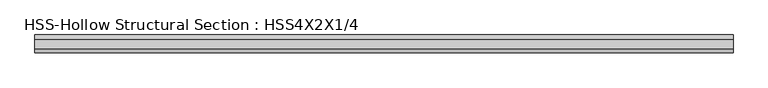
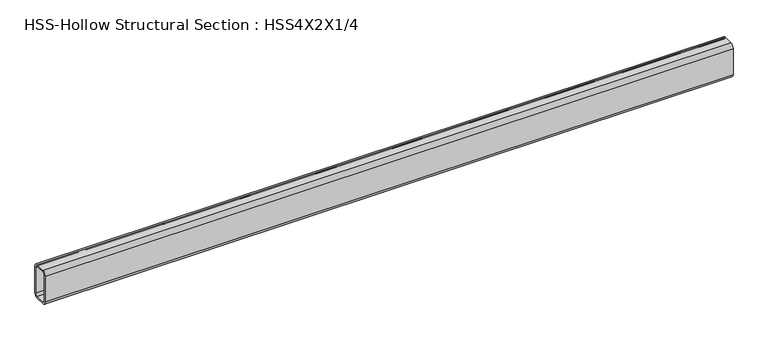
"""IFC4 building model written with IfcOpenShell, lengths in millimetres: beam geometry, HSS-Hollow Structural Section : HSS4X2X1/4."""

from ifc_helpers import new_model, si_unit, point, frame, frame_2d, origin, place, context, project, spatial, polyline, circle_curve, trimmed, segment, composite_curve, outline, extrude, source, transform, mapped, element, save


def hss_hollow_structural_section_hss4x2x1_4_33edb981(model_context):
    return source(origin(), model_context, "Body", "SweptSolid", [
        extrude(outline(composite_curve([segment(polyline([(25.4, 38.9636), (25.4, -38.9636)]), True, "CONTINUOUS"), segment(trimmed(circle_curve(frame_2d((13.5636, -38.9636)), 11.8364), [point((25.4, -38.9636))], [point((13.5636, -50.8))], False, "CARTESIAN"), True, "CONTINUOUS"), segment(polyline([(13.5636, -50.8), (-13.5636, -50.8)]), True, "CONTINUOUS"), segment(trimmed(circle_curve(frame_2d((-13.5636, -38.9636)), 11.8364), [point((-13.5636, -50.8))], [point((-25.4, -38.9636))], False, "CARTESIAN"), True, "CONTINUOUS"), segment(polyline([(-25.4, -38.9636), (-25.4, 38.9636)]), True, "CONTINUOUS"), segment(trimmed(circle_curve(frame_2d((-13.5636, 38.9636)), 11.8364), [point((-25.4, 38.9636))], [point((-13.5636, 50.8))], False, "CARTESIAN"), True, "CONTINUOUS"), segment(polyline([(-13.5636, 50.8), (13.5636, 50.8)]), True, "CONTINUOUS"), segment(trimmed(circle_curve(frame_2d((13.5636, 38.9636)), 11.8364), [point((13.5636, 50.8))], [point((25.4, 38.9636))], False, "CARTESIAN"), True, "CONTINUOUS")], self_intersect=False), holes=[composite_curve([segment(trimmed(circle_curve(frame_2d((-13.5636, 38.9636)), 5.9182), [point((-13.5636, 44.8818))], [point((-19.4818, 38.9636))], True, "CARTESIAN"), True, "CONTINUOUS"), segment(polyline([(-19.4818, 38.9636), (-19.4818, -38.9636)]), True, "CONTINUOUS"), segment(trimmed(circle_curve(frame_2d((-13.5636, -38.9636)), 5.9182), [point((-19.4818, -38.9636))], [point((-13.5636, -44.8818))], True, "CARTESIAN"), True, "CONTINUOUS"), segment(polyline([(-13.5636, -44.8818), (13.5636, -44.8818)]), True, "CONTINUOUS"), segment(trimmed(circle_curve(frame_2d((13.5636, -38.9636)), 5.9182), [point((13.5636, -44.8818))], [point((19.4818, -38.9636))], True, "CARTESIAN"), True, "CONTINUOUS"), segment(polyline([(19.4818, -38.9636), (19.4818, 38.9636)]), True, "CONTINUOUS"), segment(trimmed(circle_curve(frame_2d((13.5636, 38.9636)), 5.9182), [point((19.4818, 38.9636))], [point((13.5636, 44.8818))], True, "CARTESIAN"), True, "CONTINUOUS"), segment(polyline([(13.5636, 44.8818), (-13.5636, 44.8818)]), True, "CONTINUOUS")], self_intersect=False)]), frame((-987.933, 0.0, 0.0), z_axis=(1.0, 0.0, 0.0), x_axis=(0.0, 1.0, 0.0)), (0.0, 0.0, 1.0), 1975.866),
    ])


if __name__ == "__main__":
    model = new_model("IFC4")
    model_context = context("Model", 3, world=origin())
    ifc_project = project(units=[si_unit("LENGTHUNIT", "METRE", prefix="MILLI")], contexts=[model_context])
    site = spatial("IfcSite", under=ifc_project)
    building = spatial("IfcBuilding", under=site)
    placement = place(None, origin())
    hss_hollow_structural_section_hss4x2x1_4_shape = hss_hollow_structural_section_hss4x2x1_4_33edb981(model_context)
    element("IfcBeam", 1, ObjectType="HSS-Hollow Structural Section : HSS4X2X1/4", at=placement, inside=building, context=model_context, shape_type="MappedRepresentation", body=[
        mapped(hss_hollow_structural_section_hss4x2x1_4_shape, transform((0.0, 0.0, 0.0), x_axis=(1.0, 0.0, 0.0), y_axis=(0.0, 1.0, 0.0), z_axis=(0.0, 0.0, 1.0))),
    ])
    save(model, "model.ifc")
